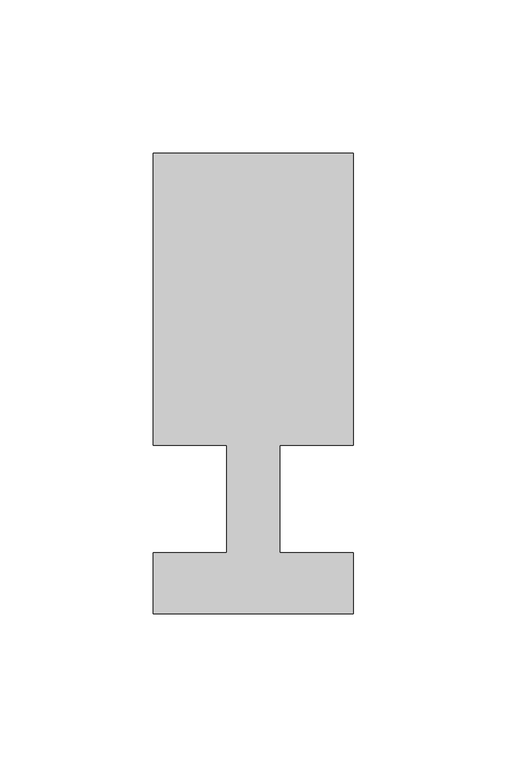
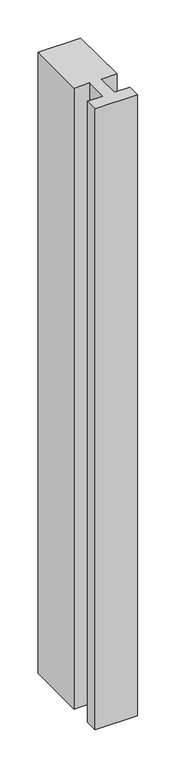
"""IFC4 building model written with IfcOpenShell, lengths in millimetres: member geometry."""

from ifc_helpers import new_model, si_unit, frame, origin, place, context, project, spatial, polyline, outline, extrude, source, transform, mapped, element, save


def member_d07e6b31(model_context):
    return source(origin(), model_context, "Body", "SweptSolid", [
        extrude(outline(polyline([(-65.0, -37.0), (-65.0, -17.0), (-41.1875, -17.0), (-41.1875, 18.0), (-65.0, 18.0), (-65.0, 113.0), (0.0, 113.0), (0.0, 18.0), (-23.8125, 18.0), (-23.8125, -17.0), (0.0, -17.0), (0.0, -37.0), (-65.0, -37.0)])), frame((0.0, 0.0, -996.0714286), z_axis=(0.0, 0.0, 1.0), x_axis=(1.0, 0.0, 0.0)), (0.0, 0.0, 1.0), 996.0714286),
    ])


if __name__ == "__main__":
    model = new_model("IFC4")
    model_context = context("Model", 3, world=origin())
    ifc_project = project(units=[si_unit("LENGTHUNIT", "METRE", prefix="MILLI")], contexts=[model_context])
    site = spatial("IfcSite", under=ifc_project)
    building = spatial("IfcBuilding", under=site)
    placement = place(None, origin())
    member_shape = member_d07e6b31(model_context)
    element("IfcMember", 1, at=placement, inside=building, context=model_context, shape_type="MappedRepresentation", body=[
        mapped(member_shape, transform((0.0, 0.0, 0.0), x_axis=(1.0, 0.0, 0.0), y_axis=(0.0, 1.0, 0.0), z_axis=(0.0, 0.0, 1.0))),
    ])
    save(model, "model.ifc")
